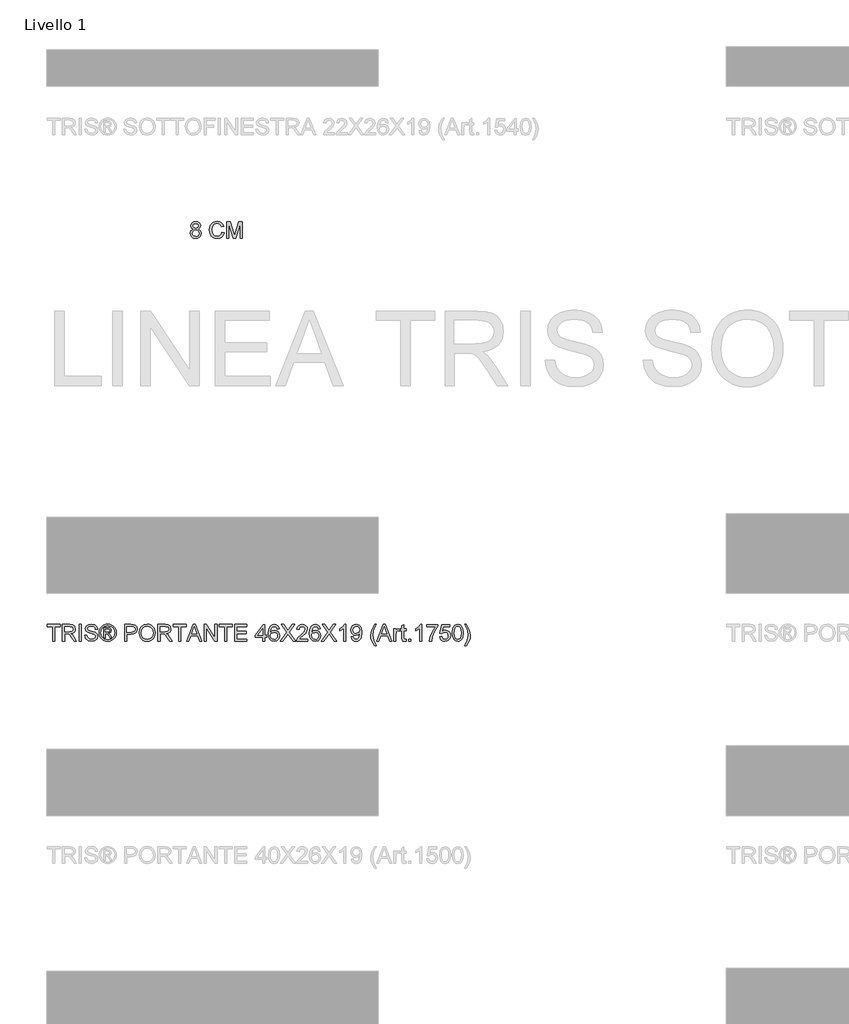
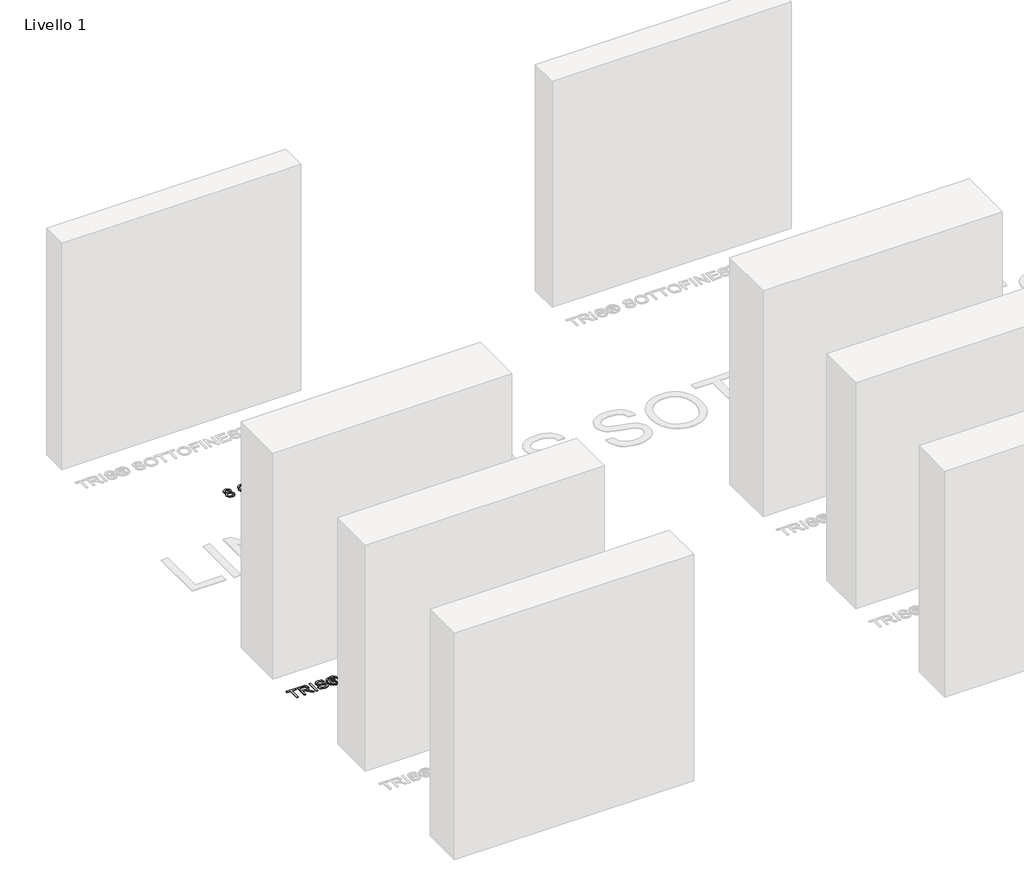
# One storey, part 12 of 19: 2 proxies.
"""IFC4 building model written with IfcOpenShell, lengths in millimetres."""

from ifc_helpers import new_model, si_unit, origin, origin_with_axes, place, context, project, spatial, polyline, outline, extrude, element, save

model = new_model("IFC4")

# Units and contexts
model_context = context("Model", 3, world=origin())
ifc_project = project(units=[si_unit("LENGTHUNIT", "METRE", prefix="MILLI")], contexts=[model_context])

# Site, building, storey
site = spatial("IfcSite", under=ifc_project)
building = spatial("IfcBuilding", under=site)
storey = spatial("IfcBuildingStorey", under=building, Name="Livello 1", Elevation=0.0)

# Proxies
placement = place(None, origin())
element("IfcBuildingElementProxy", 1, Name="100", ObjectType="100", at=placement, inside=storey, context=model_context, shape_type="SweptSolid", body=[
    extrude(outline(polyline([(-5200.6104208, 2573.8942151), (-5200.6104208, 2661.7934865), (-5233.5726476, 2661.7934865), (-5233.5726476, 2674.3505252), (-5155.0911553, 2674.3505252), (-5155.0911553, 2661.7934865), (-5188.053382, 2661.7934865), (-5188.053382, 2573.8942151), (-5200.6104208, 2573.8942151)])), origin_with_axes(), (0.0, 0.0, 1.0), 5.0),
    extrude(outline(polyline([(-5140.9644866, 2573.8942151), (-5140.9644866, 2674.3505252), (-5097.6770385, 2674.3505252), (-5077.5784189, 2671.6404612), (-5066.59101, 2662.0510039), (-5062.4829943, 2646.8574775), (-5064.1844486, 2636.9614518), (-5069.2888112, 2628.7576833), (-5077.9493666, 2622.7428127), (-5090.3193986, 2619.4134806), (-5083.1824879, 2614.0424035), (-5073.0044194, 2601.1174827), (-5056.2535259, 2573.8942151), (-5070.8461784, 2573.8942151), (-5083.9182519, 2594.716336), (-5093.3605565, 2608.4996481), (-5099.9946951, 2615.0111594), (-5105.9666462, 2617.4023924), (-5113.2507097, 2617.8438508), (-5128.4074479, 2617.8438508), (-5128.4074479, 2573.8942151), (-5140.9644866, 2573.8942151)]), holes=[polyline([(-5128.4074479, 2630.4008895), (-5100.3012634, 2630.4008895), (-5085.9661284, 2632.1789858), (-5077.8236735, 2637.868894), (-5075.0400331, 2646.3914936), (-5080.3497966, 2657.4524789), (-5097.1374783, 2661.7934865), (-5128.4074479, 2661.7934865), (-5128.4074479, 2630.4008895)])]), origin_with_axes(), (0.0, 0.0, 1.0), 5.0),
    extrude(outline(polyline([(-5038.9385466, 2573.8942151), (-5038.9385466, 2674.3505252), (-5026.3815079, 2674.3505252), (-5026.3815079, 2573.8942151), (-5038.9385466, 2573.8942151)])), origin_with_axes(), (0.0, 0.0, 1.0), 5.0),
    extrude(outline(polyline([(-5005.9763199, 2608.4260717), (-4993.4192811, 2608.4260717), (-4989.3725792, 2595.8567702), (-4979.4888162, 2587.9105191), (-4964.4301799, 2584.881624), (-4951.3090554, 2587.1747551), (-4942.8355068, 2593.4778), (-4940.0518663, 2601.9022976), (-4942.136531, 2609.7381841), (-4950.6713933, 2615.4403551), (-4968.9551284, 2620.2350837), (-4988.6368152, 2626.427764), (-4999.3176558, 2635.7719667), (-5002.8370602, 2648.255429), (-4998.4837899, 2662.4679368), (-4985.7673356, 2672.4988525), (-4967.1525067, 2675.9201551), (-4947.2868789, 2672.339437), (-4934.0431271, 2661.8180119), (-4929.0644574, 2646.097188), (-4941.6214962, 2646.097188), (-4943.92689, 2653.589718), (-4948.7338814, 2658.9975833), (-4966.6619973, 2663.3631163), (-4984.6391642, 2659.0466342), (-4990.2800214, 2648.623311), (-4986.2823704, 2639.9167705), (-4965.7790805, 2632.9024871), (-4943.559008, 2626.5994422), (-4931.4066395, 2616.4213737), (-4927.4948276, 2602.2211287), (-4931.9952506, 2587.1992806), (-4944.9446969, 2576.2363971), (-4963.9396706, 2572.3245852), (-4986.3682095, 2576.5429654), (-5000.5561918, 2589.247157), (-5005.9763199, 2608.4260717)])), origin_with_axes(), (0.0, 0.0, 1.0), 5.0),
    extrude(outline(polyline([(-4891.3933411, 2592.7297732), (-4891.3933411, 2655.5149671), (-4871.1107804, 2655.5149671), (-4856.0521441, 2653.7859217), (-4848.6331905, 2647.752657), (-4845.8740756, 2638.5923953), (-4850.632016, 2626.6730186), (-4863.2381058, 2620.9831105), (-4858.3330125, 2617.647647), (-4849.7736247, 2605.1151337), (-4842.7348159, 2592.7297732), (-4853.3298173, 2592.7297732), (-4858.8480473, 2602.6871126), (-4868.0941481, 2617.1080868), (-4876.1139756, 2619.4134806), (-4881.975562, 2619.4134806), (-4881.975562, 2592.7297732), (-4891.3933411, 2592.7297732)]), holes=[polyline([(-4881.975562, 2628.8312597), (-4870.0561854, 2628.8312597), (-4858.4065889, 2631.2224927), (-4855.2918547, 2637.5623257), (-4856.7879081, 2642.1240624), (-4860.9449746, 2645.1161693), (-4870.8164749, 2646.097188), (-4881.975562, 2646.097188), (-4881.975562, 2628.8312597)])]), origin_with_axes(), (0.0, 0.0, 1.0), 5.0),
    extrude(outline(polyline([(-4867.824368, 2675.9201551), (-4854.930104, 2674.246292), (-4842.3424084, 2669.2247028), (-4831.2844888, 2661.0883793), (-4822.9795527, 2650.0703135), (-4817.7832196, 2637.3477279), (-4816.0511085, 2624.0978447), (-4817.7586941, 2610.9644575), (-4822.8814509, 2598.346105), (-4831.0852194, 2587.3678931), (-4842.0358401, 2579.1549276), (-4854.6449955, 2574.0321708), (-4867.824368, 2572.3245852), (-4880.9853463, 2574.0321708), (-4893.5883704, 2579.1549276), (-4904.5481881, 2587.3678931), (-4912.7795478, 2598.346105), (-4917.9298957, 2610.9644575), (-4919.6466783, 2624.0978447), (-4917.9053702, 2637.3477279), (-4912.6814459, 2650.0703135), (-4904.3489187, 2661.0883793), (-4893.281802, 2669.2247028), (-4880.7002378, 2674.246292), (-4867.824368, 2675.9201551)]), holes=[polyline([(-4867.824368, 2666.502376), (-4888.6464889, 2661.0209343), (-4897.6749262, 2654.3592045), (-4904.5022029, 2645.3368985), (-4910.2288993, 2624.0978447), (-4904.6125675, 2603.0427318), (-4888.8917435, 2587.3586961), (-4867.824368, 2581.7423643), (-4846.7447296, 2587.3586961), (-4831.0606939, 2603.0427318), (-4825.4688876, 2624.0978447), (-4831.1587958, 2645.3368985), (-4837.9676784, 2654.3592045), (-4847.0145098, 2661.0209343), (-4867.824368, 2666.502376)])]), origin_with_axes(), (0.0, 0.0, 1.0), 5.0),
    extrude(outline(polyline([(-4765.8229534, 2573.8942151), (-4765.8229534, 2674.3505252), (-4728.5932955, 2674.3505252), (-4713.5837101, 2673.394032), (-4701.3822906, 2668.6974052), (-4693.4728277, 2658.9853206), (-4690.4807208, 2645.2878476), (-4692.5010061, 2633.4481787), (-4698.561862, 2623.5828099), (-4709.8956931, 2616.9241458), (-4727.7349042, 2614.7045911), (-4753.2659147, 2614.7045911), (-4753.2659147, 2573.8942151), (-4765.8229534, 2573.8942151)]), holes=[polyline([(-4753.2659147, 2627.2616298), (-4726.9991402, 2627.2616298), (-4708.5069386, 2631.8724175), (-4704.4050543, 2637.4213043), (-4703.0377596, 2644.8463892), (-4706.2628584, 2655.2451869), (-4714.736407, 2660.9350951), (-4727.2934458, 2661.7934865), (-4753.2659147, 2661.7934865), (-4753.2659147, 2627.2616298)])]), origin_with_axes(), (0.0, 0.0, 1.0), 5.0),
    extrude(outline(polyline([(-4677.923682, 2622.797995), (-4674.5759559, 2645.0119361), (-4664.5327774, 2661.8180119), (-4649.1982296, 2672.3946193), (-4629.9763953, 2675.9201551), (-4616.8000885, 2674.2646861), (-4604.9849451, 2669.2982792), (-4595.1747586, 2661.3704222), (-4588.0133224, 2650.830603), (-4583.6355267, 2638.1877251), (-4582.1762614, 2623.9506919), (-4583.7121688, 2609.5235863), (-4588.3198908, 2596.7028988), (-4595.7449757, 2586.1446855), (-4605.7329719, 2578.5050027), (-4617.4469477, 2573.8696896), (-4630.0499717, 2572.3245852), (-4643.4286136, 2574.0321708), (-4655.3112021, 2579.1549276), (-4665.0968631, 2587.2299374), (-4672.1847229, 2597.794282), (-4677.923682, 2622.797995)]), holes=[polyline([(-4665.3666433, 2622.6753676), (-4662.8558487, 2606.9606751), (-4655.3234648, 2594.9861161), (-4644.0018964, 2587.407747), (-4630.1235481, 2584.881624), (-4616.0428648, 2587.4322725), (-4604.7029023, 2595.084218), (-4597.2257007, 2607.4266589), (-4594.7333002, 2624.0487938), (-4599.0007313, 2644.7728128), (-4611.471931, 2658.4948112), (-4629.9028189, 2663.3631163), (-4643.4102195, 2661.0178686), (-4654.8942691, 2653.9821254), (-4662.7485497, 2641.4649405), (-4665.3666433, 2622.6753676)])]), origin_with_axes(), (0.0, 0.0, 1.0), 5.0),
    extrude(outline(polyline([(-4564.9103331, 2573.8942151), (-4564.9103331, 2674.3505252), (-4521.622885, 2674.3505252), (-4501.5242654, 2671.6404612), (-4490.5368564, 2662.0510039), (-4486.4288408, 2646.8574775), (-4488.1302951, 2636.9614518), (-4493.2346577, 2628.7576833), (-4501.895213, 2622.7428127), (-4514.2652451, 2619.4134806), (-4507.1283344, 2614.0424035), (-4496.9502659, 2601.1174827), (-4480.1993724, 2573.8942151), (-4494.7920248, 2573.8942151), (-4507.8640984, 2594.716336), (-4517.306403, 2608.4996481), (-4523.9405416, 2615.0111594), (-4529.9124927, 2617.4023924), (-4537.1965562, 2617.8438508), (-4552.3532944, 2617.8438508), (-4552.3532944, 2573.8942151), (-4564.9103331, 2573.8942151)]), holes=[polyline([(-4552.3532944, 2630.4008895), (-4524.2471099, 2630.4008895), (-4509.9119749, 2632.1789858), (-4501.76952, 2637.868894), (-4498.9858796, 2646.3914936), (-4504.2956431, 2657.4524789), (-4521.0833248, 2661.7934865), (-4552.3532944, 2661.7934865), (-4552.3532944, 2630.4008895)])]), origin_with_axes(), (0.0, 0.0, 1.0), 5.0),
    extrude(outline(polyline([(-4439.3399454, 2573.8942151), (-4439.3399454, 2661.7934865), (-4472.3021722, 2661.7934865), (-4472.3021722, 2674.3505252), (-4393.8206799, 2674.3505252), (-4393.8206799, 2661.7934865), (-4426.7829067, 2661.7934865), (-4426.7829067, 2573.8942151), (-4439.3399454, 2573.8942151)])), origin_with_axes(), (0.0, 0.0, 1.0), 5.0),
    extrude(outline(polyline([(-4391.3926587, 2573.8942151), (-4351.2935213, 2674.3505252), (-4340.6004179, 2674.3505252), (-4300.5012805, 2573.8942151), (-4313.7695578, 2573.8942151), (-4325.2720015, 2605.286812), (-4366.6464632, 2605.286812), (-4378.1243814, 2573.8942151), (-4391.3926587, 2573.8942151)]), holes=[polyline([(-4362.0356755, 2617.8438508), (-4329.8582637, 2617.8438508), (-4338.9081608, 2642.5409954), (-4345.9469696, 2661.7934865), (-4352.2009635, 2644.6992364), (-4362.0356755, 2617.8438508)])]), origin_with_axes(), (0.0, 0.0, 1.0), 5.0),
    extrude(outline(polyline([(-4287.0858504, 2573.8942151), (-4287.0858504, 2674.3505252), (-4273.6458948, 2674.3505252), (-4221.1613968, 2594.7653869), (-4221.1613968, 2674.3505252), (-4208.6043581, 2674.3505252), (-4208.6043581, 2573.8942151), (-4222.0443136, 2573.8942151), (-4274.5288116, 2653.5038788), (-4274.5288116, 2573.8942151), (-4287.0858504, 2573.8942151)])), origin_with_axes(), (0.0, 0.0, 1.0), 5.0),
    extrude(outline(polyline([(-4161.5154627, 2573.8942151), (-4161.5154627, 2661.7934865), (-4194.4776895, 2661.7934865), (-4194.4776895, 2674.3505252), (-4115.9961971, 2674.3505252), (-4115.9961971, 2661.7934865), (-4148.9584239, 2661.7934865), (-4148.9584239, 2573.8942151), (-4161.5154627, 2573.8942151)])), origin_with_axes(), (0.0, 0.0, 1.0), 5.0),
    extrude(outline(polyline([(-4101.8695285, 2573.8942151), (-4101.8695285, 2674.3505252), (-4029.6665556, 2674.3505252), (-4029.6665556, 2661.7934865), (-4089.3124898, 2661.7934865), (-4089.3124898, 2631.9705194), (-4032.8058153, 2631.9705194), (-4032.8058153, 2619.4134806), (-4089.3124898, 2619.4134806), (-4089.3124898, 2586.4512538), (-4028.0969258, 2586.4512538), (-4028.0969258, 2573.8942151), (-4101.8695285, 2573.8942151)])), origin_with_axes(), (0.0, 0.0, 1.0), 5.0),
    extrude(outline(polyline([(-3933.919135, 2573.8942151), (-3933.919135, 2597.4386628), (-3979.4384005, 2597.4386628), (-3979.4384005, 2609.9957015), (-3930.7798753, 2672.7808954), (-3921.3620962, 2672.7808954), (-3921.3620962, 2609.9957015), (-3908.8050575, 2609.9957015), (-3908.8050575, 2597.4386628), (-3921.3620962, 2597.4386628), (-3921.3620962, 2573.8942151), (-3933.919135, 2573.8942151)]), holes=[polyline([(-3933.919135, 2609.9957015), (-3933.919135, 2648.7949893), (-3963.9873567, 2609.9957015), (-3933.919135, 2609.9957015)])]), origin_with_axes(), (0.0, 0.0, 1.0), 5.0),
    extrude(outline(polyline([(-3833.4628249, 2647.6668178), (-3846.0198636, 2646.097188), (-3850.7778041, 2656.5695621), (-3863.3593683, 2661.7934865), (-3874.6901338, 2658.7523286), (-3883.2617843, 2647.335724), (-3886.8302396, 2624.956236), (-3875.7569916, 2634.974889), (-3862.0349931, 2638.2490388), (-3850.4344476, 2636.01109), (-3840.6978374, 2629.2972435), (-3834.0943556, 2619.0394672), (-3831.893195, 2606.1697288), (-3836.0379988, 2588.8424868), (-3847.4423407, 2576.5797536), (-3863.8989286, 2572.3245852), (-3878.1451588, 2575.1450139), (-3889.4912527, 2583.6062997), (-3896.913272, 2598.5423088), (-3899.3872784, 2620.7869067), (-3896.6404262, 2645.796751), (-3888.3998695, 2662.8971324), (-3877.1488118, 2671.487177), (-3862.5745534, 2674.3505252), (-3851.5564876, 2672.5785603), (-3842.7334511, 2667.2626655), (-3836.5530336, 2658.8197737), (-3833.4628249, 2647.6668178)]), holes=[polyline([(-3886.8302396, 2606.3659325), (-3883.9239719, 2595.4888882), (-3876.19845, 2587.591688), (-3864.8799472, 2584.881624), (-3856.5934053, 2586.2857069), (-3850.0788283, 2590.4979558), (-3845.8573824, 2597.1198317), (-3844.4502338, 2605.7527959), (-3845.8389883, 2614.0393378), (-3850.0052519, 2620.3577111), (-3856.6301935, 2624.3584278), (-3865.394982, 2625.692), (-3880.5885084, 2620.3577111), (-3885.2698068, 2614.192622), (-3886.8302396, 2606.3659325)])]), origin_with_axes(), (0.0, 0.0, 1.0), 5.0),
    extrude(outline(polyline([(-3827.1843055, 2573.8942151), (-3788.4585941, 2628.635056), (-3820.9057861, 2674.3505252), (-3805.8471497, 2674.3505252), (-3787.5756773, 2648.623311), (-3781.4197853, 2638.5923953), (-3774.2092982, 2648.7949893), (-3756.1340295, 2674.3505252), (-3740.8546639, 2674.3505252), (-3773.3018559, 2628.4879032), (-3734.5761445, 2573.8942151), (-3749.6347809, 2573.8942151), (-3775.4355715, 2610.2900071), (-3780.8066486, 2617.8438508), (-3786.717286, 2609.5542431), (-3811.9049399, 2573.8942151), (-3827.1843055, 2573.8942151)])), origin_with_axes(), (0.0, 0.0, 1.0), 5.0),
    extrude(outline(polyline([(-3662.3731716, 2586.4512538), (-3662.3731716, 2573.8942151), (-3728.2976252, 2573.8942151), (-3726.9487245, 2582.5517047), (-3719.3213045, 2595.8812957), (-3703.6004806, 2610.4371599), (-3681.9199683, 2631.3573827), (-3676.4998402, 2645.5821532), (-3681.6134, 2657.0968597), (-3694.9675164, 2661.7934865), (-3708.8857186, 2657.2072242), (-3714.1709565, 2644.5275581), (-3726.7279953, 2646.097188), (-3723.6837718, 2658.2434252), (-3717.1017498, 2667.1155127), (-3707.3252858, 2672.5417721), (-3694.6977363, 2674.3505252), (-3681.9782163, 2672.339437), (-3672.2201464, 2666.3061723), (-3666.0121377, 2657.2930634), (-3663.9428015, 2646.3424427), (-3666.1746189, 2634.4353287), (-3673.5935725, 2622.1235446), (-3691.583002, 2604.91893), (-3706.0285017, 2592.8401378), (-3711.6938844, 2586.4512538), (-3662.3731716, 2586.4512538)])), origin_with_axes(), (0.0, 0.0, 1.0), 5.0),
    extrude(outline(polyline([(-3585.4613092, 2647.6668178), (-3598.0183479, 2646.097188), (-3602.7762884, 2656.5695621), (-3615.3578526, 2661.7934865), (-3626.6886181, 2658.7523286), (-3635.2602686, 2647.335724), (-3638.8287239, 2624.956236), (-3627.7554759, 2634.974889), (-3614.0334775, 2638.2490388), (-3602.4329319, 2636.01109), (-3592.6963217, 2629.2972435), (-3586.0928399, 2619.0394672), (-3583.8916793, 2606.1697288), (-3588.0364831, 2588.8424868), (-3599.440825, 2576.5797536), (-3615.8974129, 2572.3245852), (-3630.1436432, 2575.1450139), (-3641.489737, 2583.6062997), (-3648.9117563, 2598.5423088), (-3651.3857627, 2620.7869067), (-3648.6389105, 2645.796751), (-3640.3983538, 2662.8971324), (-3629.1472961, 2671.487177), (-3614.5730377, 2674.3505252), (-3603.554972, 2672.5785603), (-3594.7319354, 2667.2626655), (-3588.5515179, 2658.8197737), (-3585.4613092, 2647.6668178)]), holes=[polyline([(-3638.8287239, 2606.3659325), (-3635.9224562, 2595.4888882), (-3628.1969343, 2587.591688), (-3616.8784316, 2584.881624), (-3608.5918896, 2586.2857069), (-3602.0773126, 2590.4979558), (-3597.8558667, 2597.1198317), (-3596.4487181, 2605.7527959), (-3597.8374726, 2614.0393378), (-3602.0037362, 2620.3577111), (-3608.6286778, 2624.3584278), (-3617.3934664, 2625.692), (-3632.5869928, 2620.3577111), (-3637.2682911, 2614.192622), (-3638.8287239, 2606.3659325)])]), origin_with_axes(), (0.0, 0.0, 1.0), 5.0),
    extrude(outline(polyline([(-3579.1827898, 2573.8942151), (-3540.4570784, 2628.635056), (-3572.9042704, 2674.3505252), (-3557.8456341, 2674.3505252), (-3539.5741616, 2648.623311), (-3533.4182696, 2638.5923953), (-3526.2077825, 2648.7949893), (-3508.1325138, 2674.3505252), (-3492.8531483, 2674.3505252), (-3525.3003402, 2628.4879032), (-3486.5746289, 2573.8942151), (-3501.6332652, 2573.8942151), (-3527.4340558, 2610.2900071), (-3532.8051329, 2617.8438508), (-3538.7157703, 2609.5542431), (-3563.9034243, 2573.8942151), (-3579.1827898, 2573.8942151)])), origin_with_axes(), (0.0, 0.0, 1.0), 5.0),
    extrude(outline(polyline([(-3431.6375843, 2573.8942151), (-3444.194623, 2573.8942151), (-3444.194623, 2652.1795036), (-3456.0894742, 2643.705955), (-3469.3087006, 2637.366122), (-3469.3087006, 2649.2364477), (-3450.9023381, 2660.9841461), (-3439.7309881, 2674.3505252), (-3431.6375843, 2674.3505252), (-3431.6375843, 2573.8942151)])), origin_with_axes(), (0.0, 0.0, 1.0), 5.0),
    extrude(outline(polyline([(-3400.2449873, 2599.0082926), (-3387.6879486, 2600.5779225), (-3382.0470913, 2588.5972321), (-3371.353988, 2584.881624), (-3361.1881822, 2587.272857), (-3354.2965261, 2593.6617409), (-3350.1885105, 2604.5755735), (-3348.373626, 2619.1437005), (-3348.4472024, 2621.5962471), (-3358.4903809, 2612.0803662), (-3372.2614302, 2608.4260717), (-3383.7117573, 2610.6578891), (-3393.2429667, 2617.3533414), (-3399.6717046, 2627.6969569), (-3401.8146172, 2640.8732637), (-3399.5674713, 2654.4848975), (-3392.8260338, 2665.1534753), (-3382.7000818, 2672.0512628), (-3370.2993929, 2674.3505252), (-3352.4080652, 2669.1020754), (-3340.0962811, 2654.141541), (-3335.8901636, 2626.0353565), (-3340.0840184, 2595.5379391), (-3345.2987457, 2585.5468773), (-3352.555218, 2578.2597481), (-3361.5407358, 2573.8083759), (-3371.9425992, 2572.3245852), (-3382.6786221, 2574.0750904), (-3391.2441412, 2579.3266059), (-3397.2344863, 2587.7480379), (-3400.2449873, 2599.0082926)]), holes=[polyline([(-3348.4472024, 2641.1675693), (-3349.8022344, 2649.6779061), (-3353.8673305, 2656.2262056), (-3360.1765067, 2660.4016662), (-3368.2637792, 2661.7934865), (-3376.6514887, 2660.2943673), (-3383.3714665, 2655.7970099), (-3387.7860504, 2648.9145509), (-3389.2575784, 2640.260127), (-3387.8657582, 2632.5008826), (-3383.6902975, 2626.3419249), (-3377.1358667, 2622.3228141), (-3368.6071357, 2620.9831105), (-3354.1248479, 2626.3419249), (-3349.8666138, 2632.7277432), (-3348.4472024, 2641.1675693)])]), origin_with_axes(), (0.0, 0.0, 1.0), 5.0),
    extrude(outline(polyline([(-3257.4086713, 2545.6408778), (-3275.2386854, 2575.0959629), (-3280.701733, 2592.2760521), (-3282.5227489, 2610.0692779), (-3277.0780953, 2640.6034835), (-3257.4086713, 2674.3505252), (-3247.9908923, 2674.3505252), (-3259.7385906, 2654.460372), (-3266.8019249, 2635.1833555), (-3269.9657101, 2609.9957015), (-3264.4720056, 2577.806027), (-3247.9908923, 2545.6408778), (-3257.4086713, 2545.6408778)])), origin_with_axes(), (0.0, 0.0, 1.0), 5.0),
    extrude(outline(polyline([(-3245.5628711, 2573.8942151), (-3205.4637336, 2674.3505252), (-3194.7706303, 2674.3505252), (-3154.6714928, 2573.8942151), (-3167.9397701, 2573.8942151), (-3179.4422138, 2605.286812), (-3220.8166756, 2605.286812), (-3232.2945938, 2573.8942151), (-3245.5628711, 2573.8942151)]), holes=[polyline([(-3216.2058879, 2617.8438508), (-3184.028476, 2617.8438508), (-3193.0783731, 2642.5409954), (-3200.117182, 2661.7934865), (-3206.3711759, 2644.6992364), (-3216.2058879, 2617.8438508)])]), origin_with_axes(), (0.0, 0.0, 1.0), 5.0),
    extrude(outline(polyline([(-3142.8256926, 2573.8942151), (-3142.8256926, 2647.6668178), (-3131.8382837, 2647.6668178), (-3131.8382837, 2636.7529853), (-3124.0391854, 2646.8084265), (-3116.1910361, 2649.2364477), (-3103.5849464, 2645.361424), (-3107.7788012, 2634.104235), (-3116.6079691, 2636.6794089), (-3123.7080916, 2634.2023368), (-3128.2330401, 2627.3352062), (-3130.2686538, 2612.6689774), (-3130.2686538, 2573.8942151), (-3142.8256926, 2573.8942151)])), origin_with_axes(), (0.0, 0.0, 1.0), 5.0),
    extrude(outline(polyline([(-3069.0530898, 2584.3665892), (-3067.48346, 2573.5263331), (-3076.8767136, 2572.3245852), (-3087.3981386, 2574.4092499), (-3092.6465884, 2579.8784289), (-3094.1671673, 2594.1277248), (-3094.1671673, 2635.1097791), (-3103.5849464, 2635.1097791), (-3103.5849464, 2647.6668178), (-3094.1671673, 2647.6668178), (-3094.1671673, 2665.5949337), (-3081.6101286, 2672.9770991), (-3081.6101286, 2647.6668178), (-3069.0530898, 2647.6668178), (-3069.0530898, 2635.1097791), (-3081.6101286, 2635.1097791), (-3081.6101286, 2594.4956068), (-3080.947941, 2588.0208837), (-3078.8019627, 2585.7277526), (-3074.5222688, 2584.881624), (-3069.0530898, 2584.3665892)])), origin_with_axes(), (0.0, 0.0, 1.0), 5.0),
    extrude(outline(polyline([(-3053.3567913, 2573.8942151), (-3053.3567913, 2586.4512538), (-3040.7997526, 2586.4512538), (-3040.7997526, 2573.8942151), (-3053.3567913, 2573.8942151)])), origin_with_axes(), (0.0, 0.0, 1.0), 5.0),
    extrude(outline(polyline([(-2973.3056692, 2573.8942151), (-2985.862708, 2573.8942151), (-2985.862708, 2652.1795036), (-2997.7575591, 2643.705955), (-3010.9767855, 2637.366122), (-3010.9767855, 2649.2364477), (-2992.570423, 2660.9841461), (-2981.3990731, 2674.3505252), (-2973.3056692, 2674.3505252), (-2973.3056692, 2573.8942151)])), origin_with_axes(), (0.0, 0.0, 1.0), 5.0),
    extrude(outline(polyline([(-2943.4827021, 2660.2238566), (-2943.4827021, 2672.7808954), (-2877.5582486, 2672.7808954), (-2877.5582486, 2662.6273523), (-2896.2589167, 2635.6125511), (-2910.5695263, 2601.1910591), (-2915.2293649, 2573.8942151), (-2927.7864037, 2573.8942151), (-2922.7954713, 2602.2211287), (-2909.0979983, 2634.239125), (-2890.1152874, 2660.2238566), (-2943.4827021, 2660.2238566)])), origin_with_axes(), (0.0, 0.0, 1.0), 5.0),
    extrude(outline(polyline([(-2866.5708397, 2600.5779225), (-2854.0138009, 2602.1475523), (-2847.6862306, 2589.2103688), (-2834.5651061, 2584.881624), (-2825.5642599, 2586.3868745), (-2818.8197567, 2590.902626), (-2814.6075078, 2597.9077123), (-2813.2034249, 2606.8809673), (-2818.4641374, 2621.7924508), (-2825.0706849, 2625.8943351), (-2834.3689024, 2627.2616298), (-2845.3930995, 2625.0788633), (-2852.444171, 2619.4134806), (-2865.0012098, 2620.9831105), (-2854.0138009, 2672.7808954), (-2805.3552757, 2672.7808954), (-2805.3552757, 2660.2238566), (-2843.8602578, 2660.2238566), (-2849.231335, 2632.5591306), (-2840.2611456, 2638.0037841), (-2830.8617607, 2639.8186686), (-2819.1293907, 2637.5684571), (-2809.3897149, 2630.8178225), (-2802.8322183, 2620.5293893), (-2800.6463861, 2607.6657822), (-2802.6145548, 2595.1087435), (-2808.5190608, 2584.3665892), (-2819.8253008, 2575.3350862), (-2834.614157, 2572.3245852), (-2846.9474009, 2574.2590314), (-2856.7729159, 2580.0623699), (-2863.5082221, 2589.0601503), (-2866.5708397, 2600.5779225)])), origin_with_axes(), (0.0, 0.0, 1.0), 5.0),
    extrude(outline(polyline([(-2789.6589772, 2623.3130298), (-2785.9678945, 2652.2162918), (-2775.0050111, 2668.8813462), (-2756.6967504, 2674.3505252), (-2742.0305216, 2671.1131637), (-2731.901504, 2661.7812237), (-2726.015392, 2646.9187911), (-2723.7345237, 2623.3130298), (-2727.3888182, 2594.532395), (-2738.3149134, 2577.8305524), (-2746.5462731, 2573.701077), (-2756.6967504, 2572.3245852), (-2769.7442985, 2574.7158182), (-2779.6525869, 2581.8895171), (-2787.1573796, 2598.8795339), (-2789.6589772, 2623.3130298)]), holes=[polyline([(-2777.1019384, 2623.3375552), (-2775.6304105, 2603.5853578), (-2771.2158265, 2592.1534248), (-2764.6430015, 2586.6995742), (-2756.6967504, 2584.881624), (-2748.7504993, 2586.7057056), (-2742.1776744, 2592.1779502), (-2737.7630904, 2603.6160146), (-2736.2915624, 2623.3375552), (-2737.7140395, 2642.6452286), (-2741.9814706, 2654.1660664), (-2748.5420329, 2659.8866314), (-2756.8439032, 2661.7934865), (-2764.7043152, 2660.113492), (-2771.0196228, 2655.0735087), (-2775.5813595, 2642.835301), (-2777.1019384, 2623.3375552)])]), origin_with_axes(), (0.0, 0.0, 1.0), 5.0),
    extrude(outline(polyline([(-2706.4685954, 2545.6408778), (-2715.8863744, 2545.6408778), (-2699.4052611, 2577.806027), (-2693.9115566, 2609.9957015), (-2697.0753418, 2634.9626263), (-2704.0650997, 2654.2641683), (-2715.8863744, 2674.3505252), (-2706.4685954, 2674.3505252), (-2686.7991714, 2640.6034835), (-2681.3545178, 2610.0692779), (-2683.1847307, 2592.2760521), (-2688.6753695, 2575.0959629), (-2706.4685954, 2545.6408778)])), origin_with_axes(), (0.0, 0.0, 1.0), 5.0),
])
element("IfcBuildingElementProxy", 2, Name="100", ObjectType="100", at=placement, inside=storey, context=model_context, shape_type="SweptSolid", body=[
    extrude(outline(polyline([(-4352.3719199, 5058.7550977), (-4363.8130499, 5066.554196), (-4367.5286581, 5078.6943019), (-4365.5053071, 5088.5106198), (-4359.4352542, 5096.6224177), (-4349.999081, 5102.0670713), (-4337.8773693, 5103.8819558), (-4325.6820811, 5102.0241517), (-4316.1232806, 5096.4507395), (-4309.9428631, 5088.2101828), (-4307.8827239, 5078.3509453), (-4311.5492811, 5066.5174078), (-4322.6715801, 5058.7550977), (-4309.3174637, 5048.908123), (-4304.7434642, 5032.6600015), (-4307.0120699, 5020.6547857), (-4313.8178868, 5010.7342346), (-4324.3270491, 5004.0755705), (-4337.705691, 5001.8560158), (-4351.0843329, 5004.0847675), (-4361.5934952, 5010.7710228), (-4368.3993121, 5020.7866101), (-4370.6679178, 5033.0033581), (-4365.9099773, 5049.6316242), (-4352.3719199, 5058.7550977)]), holes=[polyline([(-4358.110879, 5033.4448164), (-4356.0139516, 5023.9902492), (-4348.5949981, 5016.9146521), (-4337.6075891, 5014.4130546), (-4329.0604641, 5015.7282327), (-4322.6470547, 5019.6737671), (-4317.300503, 5033.052409), (-4322.8187329, 5046.6885683), (-4329.3792952, 5050.7352702), (-4338.0245221, 5052.0841709), (-4346.4520854, 5050.7536643), (-4352.8011155, 5046.7621447), (-4358.110879, 5033.4448164)]), polyline([(-4354.9716193, 5078.3264199), (-4350.5202472, 5068.4671824), (-4337.5585382, 5064.6412096), (-4324.8543466, 5068.4426569), (-4320.4397627, 5077.7623341), (-4325.0014994, 5087.4131051), (-4337.705691, 5091.324917), (-4350.4466708, 5087.4989443), (-4354.9716193, 5078.3264199)])]), origin_with_axes(), (0.0, 0.0, 1.0), 5.0),
    extrude(outline(polyline([(-4179.1730765, 5039.1347246), (-4166.6160378, 5035.8973631), (-4172.4101792, 5021.2648567), (-4181.5029958, 5010.5748191), (-4193.446898, 5004.0357166), (-4207.7942958, 5001.8560158), (-4222.3593571, 5003.5053534), (-4233.9261802, 5008.4533662), (-4242.7921362, 5016.528376), (-4249.2545966, 5027.5587045), (-4254.5153092, 5054.4140902), (-4253.0284528, 5069.0619249), (-4248.5678836, 5081.7109342), (-4241.3665935, 5091.9595135), (-4231.6575745, 5099.4060582), (-4220.1428681, 5103.9402038), (-4207.5245156, 5105.4515856), (-4193.756532, 5103.4956797), (-4182.3736499, 5097.6279619), (-4173.7314887, 5088.2101828), (-4168.1856676, 5075.6040931), (-4180.7427064, 5072.6119862), (-4191.0434023, 5088.0507673), (-4208.015025, 5092.8945469), (-4227.6599235, 5087.5234697), (-4238.757697, 5073.1024955), (-4241.9582704, 5054.4386156), (-4238.1690858, 5032.8071543), (-4226.3723365, 5018.987054), (-4209.0450946, 5014.4130546), (-4198.5635234, 5015.9704217), (-4189.8293917, 5020.642523), (-4183.2351069, 5028.3803076), (-4179.1730765, 5039.1347246)])), origin_with_axes(), (0.0, 0.0, 1.0), 5.0),
    extrude(outline(polyline([(-4149.3501095, 5003.4256456), (-4149.3501095, 5103.8819558), (-4127.7431736, 5103.8819558), (-4107.1908328, 5033.0769344), (-4103.046029, 5018.2880782), (-4098.5578687, 5034.3032078), (-4078.3488844, 5103.8819558), (-4056.7419485, 5103.8819558), (-4056.7419485, 5003.4256456), (-4069.2989873, 5003.4256456), (-4069.2989873, 5091.324917), (-4094.5356922, 5003.4256456), (-4111.5563658, 5003.4256456), (-4136.7930707, 5091.324917), (-4136.7930707, 5003.4256456), (-4149.3501095, 5003.4256456)])), origin_with_axes(), (0.0, 0.0, 1.0), 5.0),
])

save(model, "model.ifc")
